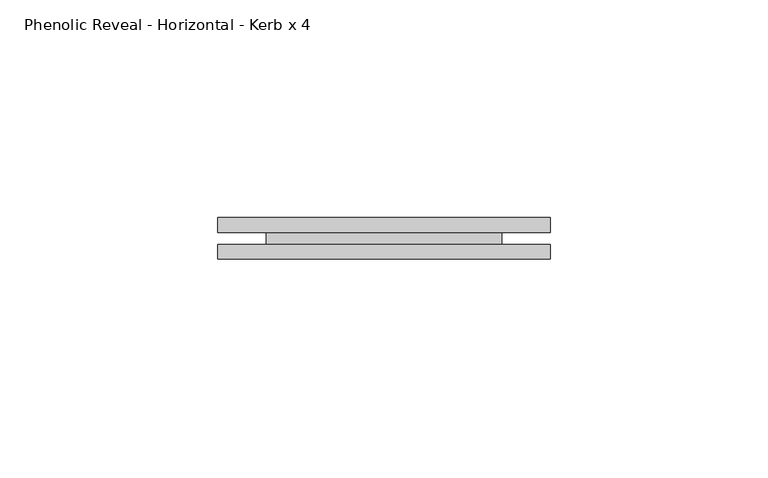
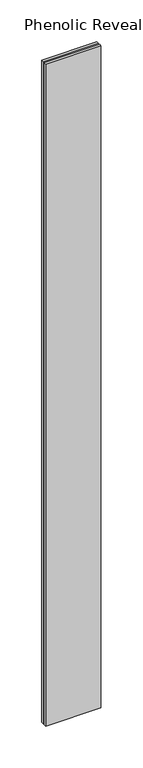
"""IFC4 building model written with IfcOpenShell, lengths in millimetres: proxy geometry, Phenolic Reveal - Horizontal - Kerb x 4."""

from ifc_helpers import new_model, si_unit, origin, place, context, project, spatial, faceted_brep, source, transform, mapped, element, save


def phenolic_reveal_horizontal_kerb_x_4_529fcf97(model_context):
    return source(origin(), model_context, "Body", "Brep", [
        faceted_brep([(76.2, 9.525, 966.7875), (76.2, 6.0765851, 966.7875), (76.2, 6.0765851, 0.0), (76.2, 9.525, 0.0), (76.2, 3.3757545, 0.0), (76.2, 3.3757545, 966.7875), (76.2, 0.0, 966.7875), (76.2, 0.0, 0.0), (0.0, 9.525, 966.7875), (0.0, 9.525, 0.0), (0.0, 6.0765851, 0.0), (0.0, 6.0765851, 966.7875), (0.0, 3.3757545, 966.7875), (0.0, 3.3757545, 0.0), (0.0, 0.0, 0.0), (0.0, 0.0, 966.7875), (65.0875, 6.0765851, 955.9466015), (65.0875, 6.0765851, 10.8408985), (11.1125, 6.0765851, 10.8408985), (11.1125, 6.0765851, 955.9466015), (11.1125, 3.3757545, 955.9466015), (65.0875, 3.3757545, 955.9466015), (11.1125, 3.3757545, 10.8408985), (65.0875, 3.3757545, 10.8408985)], [[[0, 1, 2, 3]], [[4, 5, 6, 7]], [[8, 9, 10, 11]], [[12, 13, 14, 15]], [[11, 1, 0, 8]], [[2, 1, 11, 10], [16, 17, 18, 19]], [[16, 19, 20, 21]], [[5, 4, 13, 12], [20, 22, 23, 21]], [[6, 5, 12, 15]], [[7, 6, 15, 14]], [[13, 4, 7, 14]], [[23, 22, 18, 17]], [[3, 2, 10, 9]], [[0, 3, 9, 8]], [[21, 23, 17, 16]], [[22, 20, 19, 18]]]),
    ])


if __name__ == "__main__":
    model = new_model("IFC4")
    model_context = context("Model", 3, world=origin())
    ifc_project = project(units=[si_unit("LENGTHUNIT", "METRE", prefix="MILLI")], contexts=[model_context])
    site = spatial("IfcSite", under=ifc_project)
    building = spatial("IfcBuilding", under=site)
    placement = place(None, origin())
    phenolic_reveal_horizontal_kerb_x_4_shape = phenolic_reveal_horizontal_kerb_x_4_529fcf97(model_context)
    element("IfcBuildingElementProxy", 1, Name="Phenolic Reveal - Horizontal - Kerb x 4", ObjectType="Phenolic Reveal - Horizontal - Kerb x 4", at=placement, inside=building, context=model_context, shape_type="MappedRepresentation", body=[
        mapped(phenolic_reveal_horizontal_kerb_x_4_shape, transform((0.0, 0.0, 0.0), x_axis=(1.0, 0.0, 0.0), y_axis=(0.0, 1.0, 0.0), z_axis=(0.0, 0.0, 1.0))),
    ])
    save(model, "model.ifc")
